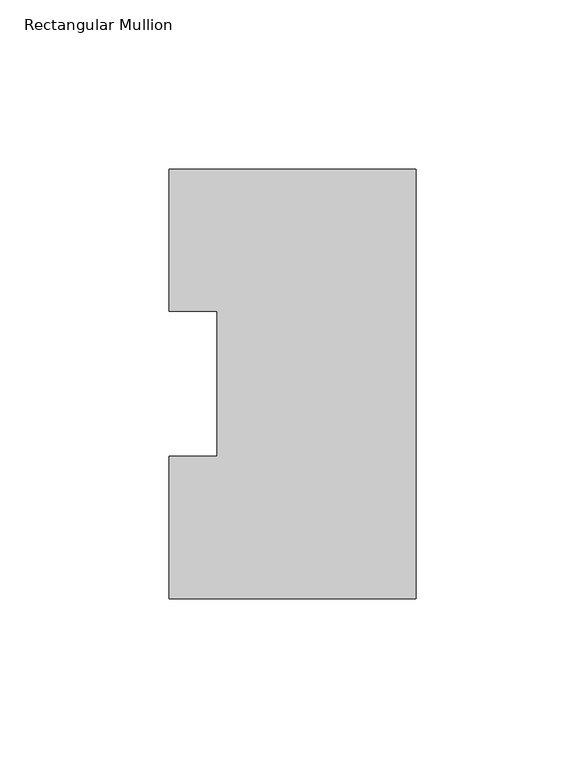
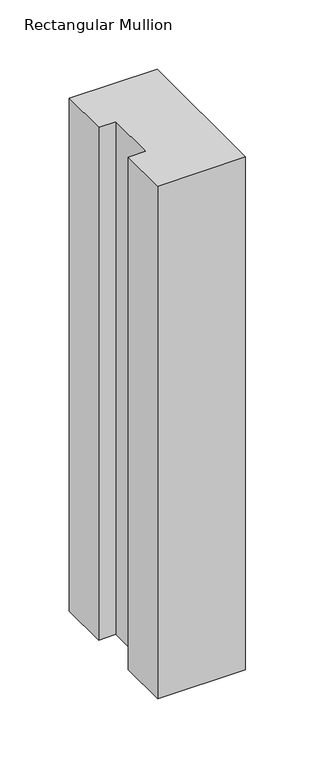
"""IFC4 building model written with IfcOpenShell, lengths in millimetres: member geometry, Rectangular Mullion."""

import ifcopenshell
import ifcopenshell.guid

model = None  # the IFC model being written
_history = None  # IfcOwnerHistory: only IFC2X3 demands one
_inside = {}  # id of a spatial element -> (the spatial element, [elements in it])
_under = {}  # id of a project, library or spatial element -> (it, [spatial elements below it])
_declared = {}  # id of a project -> (the project, [libraries it declares])
_typed = {}  # id of a type object -> (the type object, [elements of that type])
_made_of = {}  # id of a material, layer set ... -> (it, [elements and type objects made of it])


def new_model(schema):
    """Start an empty IFC model of exactly this schema.

    Asked for "IFC4X3", IfcOpenShell would pick the latest addendum, in which some entities
    have other attributes; the version numbers below select the first issue.
    IFC2X3 requires an IfcOwnerHistory on every rooted entity: one is made here for all.
    """
    global model, _history
    if schema == "IFC4X3":
        model = ifcopenshell.file(schema_version=(4, 3, 0, 0))
    else:
        model = ifcopenshell.file(schema=schema)
    _inside.clear()
    _under.clear()
    _declared.clear()
    _typed.clear()
    _made_of.clear()
    _history = None
    if model.schema == "IFC2X3":
        org = make("IfcOrganization", Name="unknown")
        user = make(
            "IfcPersonAndOrganization",
            ThePerson=make("IfcPerson", FamilyName="unknown"),
            TheOrganization=org,
        )
        app = make(
            "IfcApplication",
            ApplicationDeveloper=org,
            Version="unknown",
            ApplicationFullName="unknown",
            ApplicationIdentifier="unknown",
        )
        _history = make(
            "IfcOwnerHistory",
            OwningUser=user,
            OwningApplication=app,
            ChangeAction="ADDED",
            CreationDate=0,
        )
    return model


def make(cls, **values):
    """One entity of the class cls with the attributes given. An attribute that is None is left unset."""
    return model.create_entity(
        cls, **{name: value for name, value in values.items() if value is not None}
    )


def rooted(cls, **values):
    """An entity with a GlobalId (a new one), such as an element, a storey or a relation."""
    return make(cls, GlobalId=ifcopenshell.guid.new(), OwnerHistory=_history, **values)


def si_unit(unit_type, name, prefix=None):
    """IfcSIUnit, for example si_unit("LENGTHUNIT", "METRE", prefix="MILLI")."""
    return make("IfcSIUnit", UnitType=unit_type, Prefix=prefix, Name=name)


def assignment(units):
    """IfcUnitAssignment: the units of a project."""
    return None if units is None else make("IfcUnitAssignment", Units=units)


def point(xyz):
    """IfcCartesianPoint."""
    return None if xyz is None else make("IfcCartesianPoint", Coordinates=xyz)


def direction(xyz):
    """IfcDirection."""
    return None if xyz is None else make("IfcDirection", DirectionRatios=xyz)


def frame(location, z_axis=None, x_axis=None):
    """IfcAxis2Placement3D, a coordinate frame: its origin and axes. An axis left out is left unset."""
    return make(
        "IfcAxis2Placement3D",
        Location=point(location),
        Axis=direction(z_axis),
        RefDirection=direction(x_axis),
    )


def origin():
    """The frame at (0, 0, 0) with its axes left unset."""
    return frame((0.0, 0.0, 0.0))


def place(relative_to, where):
    """IfcLocalPlacement: puts the frame where relative to a parent placement (None: the world)."""
    return make(
        "IfcLocalPlacement", PlacementRelTo=relative_to, RelativePlacement=where
    )


def context(
    kind, dimensions, precision=None, world=None, true_north=None, identifier=None
):
    """IfcGeometricRepresentationContext, for example the 3D "Model" context."""
    return make(
        "IfcGeometricRepresentationContext",
        ContextIdentifier=identifier,
        ContextType=kind,
        CoordinateSpaceDimension=dimensions,
        Precision=precision,
        WorldCoordinateSystem=world,
        TrueNorth=true_north,
    )


def project(units=None, contexts=None):
    """IfcProject with its units and contexts."""
    return rooted(
        "IfcProject",
        Name="project",
        RepresentationContexts=contexts,
        UnitsInContext=assignment(units),
    )


def spatial(cls, under=None, at=None, **own):
    """A site, building, storey or space (cls), placed at a placement, below another one or the project."""
    s = rooted(cls, ObjectPlacement=at, **own)
    if under is not None:
        _under.setdefault(under.id(), (under, []))[1].append(s)
    return s


def polyline(points):
    """IfcPolyline through the points."""
    return make("IfcPolyline", Points=[point(p) for p in points])


def outline(outer, holes=None, kind="AREA"):
    """IfcArbitraryClosedProfileDef: a profile drawn as a closed curve; with holes, ...WithVoids."""
    if holes is None:
        return make("IfcArbitraryClosedProfileDef", ProfileType=kind, OuterCurve=outer)
    return make(
        "IfcArbitraryProfileDefWithVoids",
        ProfileType=kind,
        OuterCurve=outer,
        InnerCurves=holes,
    )


def extrude(swept, where, along, depth):
    """IfcExtrudedAreaSolid: the profile swept, set in the frame where, extruded along a direction by depth."""
    return make(
        "IfcExtrudedAreaSolid",
        SweptArea=swept,
        Position=where,
        ExtrudedDirection=direction(along),
        Depth=depth,
    )


def shape(context_of_items, identifier, shape_type, items):
    """IfcShapeRepresentation: the items that make up one representation, for example the "Body"."""
    return make(
        "IfcShapeRepresentation",
        ContextOfItems=context_of_items,
        RepresentationIdentifier=identifier,
        RepresentationType=shape_type,
        Items=items,
    )


def source(mapping_origin, context_of_items, identifier, shape_type, items):
    """IfcRepresentationMap: a shape defined once, which mapped items show again and again."""
    return make(
        "IfcRepresentationMap",
        MappingOrigin=mapping_origin,
        MappedRepresentation=shape(context_of_items, identifier, shape_type, items),
    )


def transform(
    local_origin,
    x_axis=None,
    y_axis=None,
    z_axis=None,
    scale=None,
    scale2=None,
    scale3=None,
    uniform=True,
):
    """IfcCartesianTransformationOperator3D, or its non-uniform kind. x_axis, y_axis, z_axis: its Axis1, 2, 3."""
    if uniform:
        return make(
            "IfcCartesianTransformationOperator3D",
            Axis1=direction(x_axis),
            Axis2=direction(y_axis),
            LocalOrigin=point(local_origin),
            Scale=scale,
            Axis3=direction(z_axis),
        )
    return make(
        "IfcCartesianTransformationOperator3DnonUniform",
        Axis1=direction(x_axis),
        Axis2=direction(y_axis),
        LocalOrigin=point(local_origin),
        Scale=scale,
        Axis3=direction(z_axis),
        Scale2=scale2,
        Scale3=scale3,
    )


def mapped(mapping_source, mapping_target):
    """IfcMappedItem: shows the shape of a source again, moved by a transform."""
    return make(
        "IfcMappedItem", MappingSource=mapping_source, MappingTarget=mapping_target
    )


def made_of(thing, what):
    """Note that an element or type object is made of a material, layer set ...; save() writes the relation."""
    if what is not None:
        _made_of.setdefault(what.id(), (what, []))[1].append(thing)
    return thing


def element(
    cls,
    number,
    at=None,
    inside=None,
    cuts=None,
    type_object=None,
    material=None,
    context=None,
    identifier="Body",
    shape_type=None,
    held_by="IfcProductDefinitionShape",
    body=None,
    shapes=None,
    **own,
):
    """One element of the class cls, such as IfcWall. Its Tag is "e" and its number.

    at: its placement. inside: the storey or other place that contains it. cuts: it is an
    opening in that element (IfcRelVoidsElement). A single representation is given by context,
    identifier, shape_type and body (its items); several are given by shapes. held_by: the class
    of the entity that holds the representations. save() writes the other relations.
    """
    e = rooted(cls, Tag="e%d" % number, ObjectPlacement=at, **own)
    if body is not None:
        shapes = [shape(context, identifier, shape_type, body)]
    if shapes is not None:
        e.Representation = make(held_by, Representations=shapes)
    if inside is not None:
        _inside.setdefault(inside.id(), (inside, []))[1].append(e)
    if cuts is not None:
        rooted(
            "IfcRelVoidsElement", RelatingBuildingElement=cuts, RelatedOpeningElement=e
        )
    if type_object is not None:
        _typed.setdefault(type_object.id(), (type_object, []))[1].append(e)
    return made_of(e, material)


def aggregate(whole, parts):
    """IfcRelAggregates: a whole, such as a stair, and the parts it consists of."""
    return rooted("IfcRelAggregates", RelatingObject=whole, RelatedObjects=parts)


def save(model, path):
    """Write the relations noted so far, then the file.

    IfcRelAggregates (storeys below a building ...), IfcRelContainedInSpatialStructure (elements
    in a storey), IfcRelDefinesByType, IfcRelAssociatesMaterial and IfcRelDeclares: one each for
    every whole, place, type object, material and project.
    """
    for whole, parts in _under.values():
        aggregate(whole, parts)
    for where, things in _inside.values():
        rooted(
            "IfcRelContainedInSpatialStructure",
            RelatedElements=things,
            RelatingStructure=where,
        )
    for kind, things in _typed.values():
        rooted("IfcRelDefinesByType", RelatedObjects=things, RelatingType=kind)
    for what, things in _made_of.values():
        rooted("IfcRelAssociatesMaterial", RelatedObjects=things, RelatingMaterial=what)
    for by, libraries in _declared.values():
        rooted("IfcRelDeclares", RelatingContext=by, RelatedDefinitions=libraries)
    model.write(path)


def rectangular_mullion_6b65100d(model_context):
    return source(origin(), model_context, "Body", "SweptSolid", [
        extrude(outline(polyline([(0.0, 127.006348), (0.0, 0.0063465), (-73.025, 0.0063465), (-73.025, 42.0814491), (-58.7375, 42.0814491), (-58.7375, 84.93125), (-73.025, 84.93125), (-73.025, 127.006348), (0.0, 127.006348)])), frame((0.0, 0.0, -450.85), z_axis=(0.0, 0.0, 1.0), x_axis=(1.0, 0.0, 0.0)), (0.0, 0.0, 1.0), 450.85),
    ])


if __name__ == "__main__":
    model = new_model("IFC4")
    model_context = context("Model", 3, world=origin())
    ifc_project = project(units=[si_unit("LENGTHUNIT", "METRE", prefix="MILLI")], contexts=[model_context])
    site = spatial("IfcSite", under=ifc_project)
    building = spatial("IfcBuilding", under=site)
    placement = place(None, origin())
    rectangular_mullion_shape = rectangular_mullion_6b65100d(model_context)
    element("IfcMember", 1, ObjectType="Rectangular Mullion", at=placement, inside=building, context=model_context, shape_type="MappedRepresentation", body=[
        mapped(rectangular_mullion_shape, transform((0.0, 0.0, 0.0), x_axis=(1.0, 0.0, 0.0), y_axis=(0.0, 1.0, 0.0), z_axis=(0.0, 0.0, 1.0))),
    ])
    save(model, "model.ifc")
